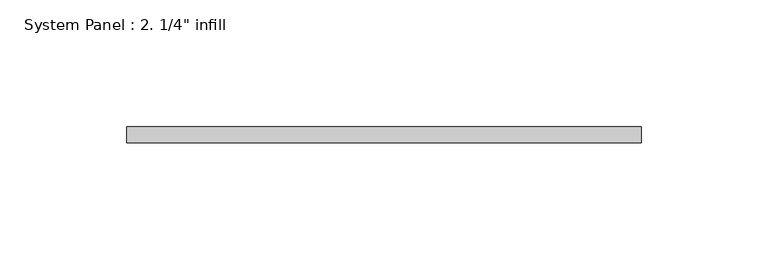
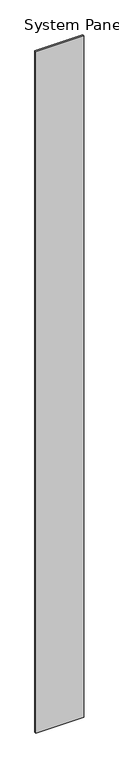
"""IFC4 building model written with IfcOpenShell, lengths in millimetres: plate geometry."""

from ifc_helpers import new_model, si_unit, origin, origin_with_axes, place, context, project, spatial, polyline, outline, extrude, source, transform, mapped, element, save


def plate_9dfab878(model_context):
    return source(origin(), model_context, "Body", "SweptSolid", [
        extrude(outline(polyline([(101.6, -6.35), (-101.6, -6.35), (-101.6, 0.0), (101.6, 0.0), (101.6, -6.35)])), origin_with_axes(), (0.0, 0.0, 1.0), 3048.0),
    ])


if __name__ == "__main__":
    model = new_model("IFC4")
    model_context = context("Model", 3, world=origin())
    ifc_project = project(units=[si_unit("LENGTHUNIT", "METRE", prefix="MILLI")], contexts=[model_context])
    site = spatial("IfcSite", under=ifc_project)
    building = spatial("IfcBuilding", under=site)
    placement = place(None, origin())
    plate_shape = plate_9dfab878(model_context)
    element("IfcPlate", 1, ObjectType="System Panel : 2. 1/4\" infill", at=placement, inside=building, context=model_context, shape_type="MappedRepresentation", body=[
        mapped(plate_shape, transform((0.0, 0.0, 0.0), x_axis=(1.0, 0.0, 0.0), y_axis=(0.0, 1.0, 0.0), z_axis=(0.0, 0.0, 1.0))),
    ])
    save(model, "model.ifc")
